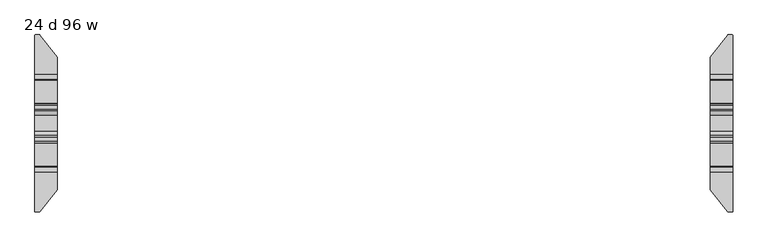
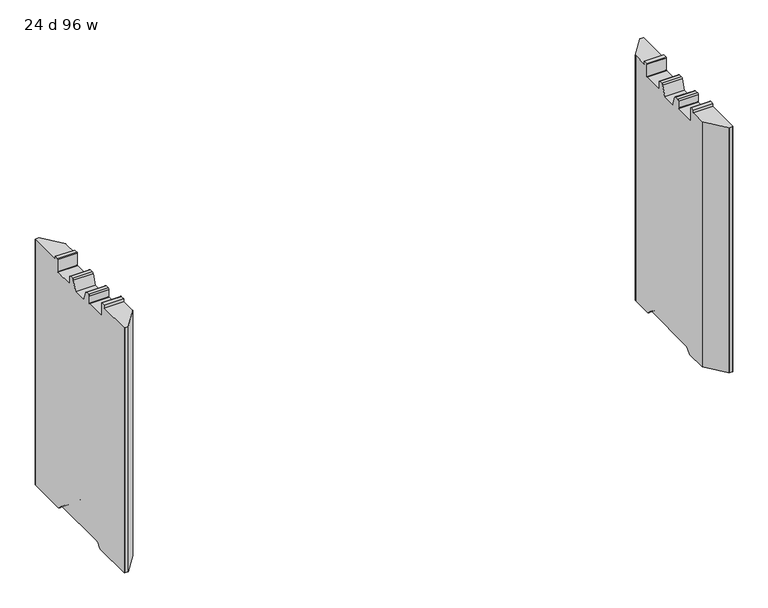
"""IFC4 building model written with IfcOpenShell, lengths in millimetres: furniture geometry, 24 d 96 w."""

from ifc_helpers import new_model, si_unit, frame, origin, place, context, project, spatial, polyline, circle_curve, source, transform, mapped, element, save
from ifc_brep_helpers import plane_surface, cylinder_surface, revolved_surface, advanced_brep


def furniture_24_d_96_w_ee3c463c(model_context):
    return source(origin(), model_context, "Body", "AdvancedBrep", [
        advanced_brep(
        [(-1170.3161014, 301.356006, 12.2237497), (-1168.6757746, 300.5624669, 12.2237497), (-1109.4991168, 225.81303, 12.2237497), (-1108.9789661, 224.3179953, 12.2237497), (-1108.9789661, 142.5587399, 12.2237497), (-1185.1632694, 142.5587399, 12.2237497), (-1185.1632694, 299.7791145, 12.2237497), (-1183.5863779, 301.356006, 12.2237497), (-1108.9789661, -224.3179953, 12.2237497), (-1109.4991168, -225.81303, 12.2237497), (-1168.6757746, -300.5624669, 12.2237497), (-1170.3161014, -301.356006, 12.2237497), (-1183.5863779, -301.356006, 12.2237497), (-1185.1632694, -299.7791145, 12.2237497), (-1185.1632694, -142.5587399, 12.2237497), (-1108.9789661, -142.5587399, 12.2237497), (-1183.5863779, 301.356006, 1021.0901447), (-1170.3161014, 301.356006, 1021.0901447), (-1185.1632694, 299.7791145, 1021.0901447), (-1185.1632694, 137.3594731, 14.3773565), (-1185.1632694, 120.8848361, 30.8519935), (-1185.1632694, 115.650421, 33.0201593), (-1185.1632694, -115.650421, 33.0201593), (-1185.1632694, -120.8848361, 30.8519935), (-1185.1632694, -137.3594731, 14.3773565), (-1185.1632694, -299.7791145, 1021.0901447), (-1185.1632694, -165.7440074, 1021.0901447), (-1185.1632694, -165.7440074, 1032.1001558), (-1185.1632694, -149.8559965, 1032.1001558), (-1185.1632694, -147.8560005, 1030.1001598), (-1185.1632694, -147.8560005, 980.6251456), (-1185.1632694, -145.8560045, 978.6251495), (-1185.1632694, -67.8560008, 978.6251495), (-1185.1632694, -65.8560002, 980.6251501), (-1185.1632694, -65.8560002, 1008.6251352), (-1185.1632694, -60.855942, 1013.6251934), (-1185.1632694, -47.3023259, 1013.6251934), (-1185.1632694, -41.335277, 1009.4470192), (-1185.1632694, -27.2052798, 970.6251291), (-1185.1632694, 27.2052798, 970.6251291), (-1185.1632694, 41.335277, 1009.4470192), (-1185.1632694, 47.3023259, 1013.6251934), (-1185.1632694, 60.855942, 1013.6251934), (-1185.1632694, 65.8560002, 1008.6251352), (-1185.1632694, 65.8560002, 980.6251501), (-1185.1632694, 67.8560008, 978.6251495), (-1185.1632694, 145.8560045, 978.6251495), (-1185.1632694, 147.8560005, 980.6251456), (-1185.1632694, 147.8560005, 1030.1001598), (-1185.1632694, 149.8559965, 1032.1001558), (-1185.1632694, 165.7440074, 1032.1001558), (-1185.1632694, 165.7440074, 1021.0901447), (-1183.5863779, -301.356006, 1021.0901447), (-1170.3161014, -301.356006, 1021.0901447), (-1168.6757746, -300.5624669, 1021.0901447), (-1109.4991168, -225.81303, 1021.0901447), (-1108.9789661, -224.3179953, 1021.0901447), (-1108.9789661, -137.3594731, 14.3773565), (-1108.9789661, -120.8848361, 30.8519935), (-1108.9789661, -115.650421, 33.0201593), (-1108.9789661, 115.650421, 33.0201593), (-1108.9789661, 120.8848361, 30.8519935), (-1108.9789661, 137.3594731, 14.3773565), (-1108.9789661, 224.3179953, 1021.0901447), (-1108.9789661, 165.7440074, 1021.0901447), (-1108.9789661, 165.7440074, 1032.1001558), (-1108.9789661, 149.8559965, 1032.1001558), (-1108.9789661, 147.8560005, 1030.1001598), (-1108.9789661, 147.8560005, 980.6251456), (-1108.9789661, 145.8560045, 978.6251495), (-1108.9789661, 67.8560008, 978.6251495), (-1108.9789661, 65.8560002, 980.6251501), (-1108.9789661, 65.8560002, 1008.6251352), (-1108.9789661, 60.855942, 1013.6251934), (-1108.9789661, 47.3023259, 1013.6251934), (-1108.9789661, 41.335277, 1009.4470192), (-1108.9789661, 27.2052798, 970.6251291), (-1108.9789661, -27.2052798, 970.6251291), (-1108.9789661, -41.335277, 1009.4470192), (-1108.9789661, -47.3023259, 1013.6251934), (-1108.9789661, -60.855942, 1013.6251934), (-1108.9789661, -65.8560002, 1008.6251352), (-1108.9789661, -65.8560002, 980.6251501), (-1108.9789661, -67.8560008, 978.6251495), (-1108.9789661, -145.8560045, 978.6251495), (-1108.9789661, -147.8560005, 980.6251456), (-1108.9789661, -147.8560005, 1030.1001598), (-1108.9789661, -149.8559965, 1032.1001558), (-1108.9789661, -165.7440074, 1032.1001558), (-1108.9789661, -165.7440074, 1021.0901447), (-1109.4991168, 225.81303, 1021.0901447), (-1168.6757746, 300.5624669, 1021.0901447)],
        [
            (0, 1, circle_curve(frame((-1170.3161014, 299.2638745, 12.2237497), z_axis=(0.0, 0.0, -1.0), x_axis=(-1.0, 0.0, 0.0)), 2.0921315)),
            (1, 2),
            (2, 3, circle_curve(frame((-1111.387581, 224.3179953, 12.2237497), z_axis=(0.0, 0.0, -1.0), x_axis=(-1.0, 0.0, 0.0)), 2.4086149)),
            (3, 4),
            (4, 5),
            (5, 6),
            (6, 7, circle_curve(frame((-1183.5863779, 299.7791145, 12.2237497), z_axis=(0.0, 0.0, -1.0), x_axis=(-1.0, 0.0, 0.0)), 1.5768915)),
            (7, 0),
            (8, 9, circle_curve(frame((-1111.387581, -224.3179953, 12.2237497), z_axis=(0.0, 0.0, -1.0), x_axis=(-1.0, 0.0, 0.0)), 2.4086149)),
            (9, 10),
            (10, 11, circle_curve(frame((-1170.3161014, -299.2638745, 12.2237497), z_axis=(0.0, 0.0, -1.0), x_axis=(-1.0, 0.0, 0.0)), 2.0921315)),
            (11, 12),
            (12, 13, circle_curve(frame((-1183.5863779, -299.7791145, 12.2237497), z_axis=(0.0, 0.0, -1.0), x_axis=(-1.0, 0.0, 0.0)), 1.5768915)),
            (13, 14),
            (14, 15),
            (15, 8),
            (7, 16),
            (16, 17),
            (17, 0),
            (6, 18),
            (18, 16, circle_curve(frame((-1183.5863779, 299.7791145, 1021.0901447), z_axis=(0.0, 0.0, -1.0), x_axis=(-1.0, 0.0, 0.0)), 1.5768915)),
            (5, 19, circle_curve(frame((-1185.1632694, 142.5587399, 19.5766232), z_axis=(-1.0, 0.0, 0.0), x_axis=(0.0, -1.0, 0.0)), 7.3528735)),
            (19, 20),
            (20, 21, circle_curve(frame((-1185.1632694, 115.650421, 25.6175784), z_axis=(1.0, 0.0, 0.0), x_axis=(0.0, -1.0, 0.0)), 7.4025809)),
            (21, 22),
            (22, 23, circle_curve(frame((-1185.1632694, -115.650421, 25.6175784), z_axis=(1.0, 0.0, 0.0), x_axis=(0.0, -1.0, 0.0)), 7.4025809)),
            (23, 24),
            (24, 14, circle_curve(frame((-1185.1632694, -142.5587399, 19.5766232), z_axis=(-1.0, 0.0, 0.0), x_axis=(0.0, -1.0, 0.0)), 7.3528735)),
            (13, 25),
            (25, 26),
            (26, 27),
            (27, 28),
            (28, 29, circle_curve(frame((-1185.1632694, -149.8559965, 1030.1001598), z_axis=(-1.0, 0.0, 0.0), x_axis=(0.0, -1.0, 0.0)), 1.999996)),
            (29, 30),
            (30, 31, circle_curve(frame((-1185.1632694, -145.8560045, 980.6251456), z_axis=(1.0, 0.0, 0.0), x_axis=(0.0, -1.0, 0.0)), 1.999996)),
            (31, 32),
            (32, 33, circle_curve(frame((-1185.1632694, -67.8560008, 980.6251501), z_axis=(1.0, 0.0, 0.0), x_axis=(0.0, -1.0, 0.0)), 2.0000006)),
            (33, 34),
            (34, 35, circle_curve(frame((-1185.1632694, -60.855942, 1008.6251352), z_axis=(-1.0, 0.0, 0.0), x_axis=(0.0, -1.0, 0.0)), 5.0000582)),
            (35, 36),
            (36, 37, circle_curve(frame((-1185.1632694, -47.3023259, 1007.2751934), z_axis=(-1.0, 0.0, 0.0), x_axis=(0.0, -1.0, 0.0)), 6.35)),
            (37, 38),
            (38, 39),
            (39, 40),
            (40, 41, circle_curve(frame((-1185.1632694, 47.3023259, 1007.2751934), z_axis=(-1.0, 0.0, 0.0), x_axis=(0.0, -1.0, 0.0)), 6.35)),
            (41, 42),
            (42, 43, circle_curve(frame((-1185.1632694, 60.855942, 1008.6251352), z_axis=(-1.0, 0.0, 0.0), x_axis=(0.0, -1.0, 0.0)), 5.0000582)),
            (43, 44),
            (44, 45, circle_curve(frame((-1185.1632694, 67.8560008, 980.6251501), z_axis=(1.0, 0.0, 0.0), x_axis=(0.0, -1.0, 0.0)), 2.0000006)),
            (45, 46),
            (46, 47, circle_curve(frame((-1185.1632694, 145.8560045, 980.6251456), z_axis=(1.0, 0.0, 0.0), x_axis=(0.0, -1.0, 0.0)), 1.999996)),
            (47, 48),
            (48, 49, circle_curve(frame((-1185.1632694, 149.8559965, 1030.1001598), z_axis=(-1.0, 0.0, 0.0), x_axis=(0.0, -1.0, 0.0)), 1.999996)),
            (49, 50),
            (50, 51),
            (51, 18),
            (12, 52),
            (52, 25, circle_curve(frame((-1183.5863779, -299.7791145, 1021.0901447), z_axis=(0.0, 0.0, -1.0), x_axis=(-1.0, 0.0, 0.0)), 1.5768915)),
            (11, 53),
            (53, 52),
            (10, 54),
            (54, 53, circle_curve(frame((-1170.3161014, -299.2638745, 1021.0901447), z_axis=(0.0, 0.0, -1.0), x_axis=(-1.0, 0.0, 0.0)), 2.0921315)),
            (9, 55),
            (55, 54),
            (8, 56),
            (56, 55, circle_curve(frame((-1111.387581, -224.3179953, 1021.0901447), z_axis=(0.0, 0.0, -1.0), x_axis=(-1.0, 0.0, 0.0)), 2.4086149)),
            (15, 57, circle_curve(frame((-1108.9789661, -142.5587399, 19.5766232), z_axis=(1.0, 0.0, 0.0), x_axis=(0.0, -1.0, 0.0)), 7.3528735)),
            (57, 58),
            (58, 59, circle_curve(frame((-1108.9789661, -115.650421, 25.6175784), z_axis=(-1.0, 0.0, 0.0), x_axis=(0.0, -1.0, 0.0)), 7.4025809)),
            (59, 60),
            (60, 61, circle_curve(frame((-1108.9789661, 115.650421, 25.6175784), z_axis=(-1.0, 0.0, 0.0), x_axis=(0.0, -1.0, 0.0)), 7.4025809)),
            (61, 62),
            (62, 4, circle_curve(frame((-1108.9789661, 142.5587399, 19.5766232), z_axis=(1.0, 0.0, 0.0), x_axis=(0.0, -1.0, 0.0)), 7.3528735)),
            (3, 63),
            (63, 64),
            (64, 65),
            (65, 66),
            (66, 67, circle_curve(frame((-1108.9789661, 149.8559965, 1030.1001598), z_axis=(1.0, 0.0, 0.0), x_axis=(0.0, -1.0, 0.0)), 1.999996)),
            (67, 68),
            (68, 69, circle_curve(frame((-1108.9789661, 145.8560045, 980.6251456), z_axis=(-1.0, 0.0, 0.0), x_axis=(0.0, -1.0, 0.0)), 1.999996)),
            (69, 70),
            (70, 71, circle_curve(frame((-1108.9789661, 67.8560008, 980.6251501), z_axis=(-1.0, 0.0, 0.0), x_axis=(0.0, -1.0, 0.0)), 2.0000006)),
            (71, 72),
            (72, 73, circle_curve(frame((-1108.9789661, 60.855942, 1008.6251352), z_axis=(1.0, 0.0, 0.0), x_axis=(0.0, -1.0, 0.0)), 5.0000582)),
            (73, 74),
            (74, 75, circle_curve(frame((-1108.9789661, 47.3023259, 1007.2751934), z_axis=(1.0, 0.0, 0.0), x_axis=(0.0, -1.0, 0.0)), 6.35)),
            (75, 76),
            (76, 77),
            (77, 78),
            (78, 79, circle_curve(frame((-1108.9789661, -47.3023259, 1007.2751934), z_axis=(1.0, 0.0, 0.0), x_axis=(0.0, -1.0, 0.0)), 6.35)),
            (79, 80),
            (80, 81, circle_curve(frame((-1108.9789661, -60.855942, 1008.6251352), z_axis=(1.0, 0.0, 0.0), x_axis=(0.0, -1.0, 0.0)), 5.0000582)),
            (81, 82),
            (82, 83, circle_curve(frame((-1108.9789661, -67.8560008, 980.6251501), z_axis=(-1.0, 0.0, 0.0), x_axis=(0.0, -1.0, 0.0)), 2.0000006)),
            (83, 84),
            (84, 85, circle_curve(frame((-1108.9789661, -145.8560045, 980.6251456), z_axis=(-1.0, 0.0, 0.0), x_axis=(0.0, -1.0, 0.0)), 1.999996)),
            (85, 86),
            (86, 87, circle_curve(frame((-1108.9789661, -149.8559965, 1030.1001598), z_axis=(1.0, 0.0, 0.0), x_axis=(0.0, -1.0, 0.0)), 1.999996)),
            (87, 88),
            (88, 89),
            (89, 56),
            (2, 90),
            (90, 63, circle_curve(frame((-1111.387581, 224.3179953, 1021.0901447), z_axis=(0.0, 0.0, -1.0), x_axis=(-1.0, 0.0, 0.0)), 2.4086149)),
            (1, 91),
            (91, 90),
            (17, 91, circle_curve(frame((-1170.3161014, 299.2638745, 1021.0901447), z_axis=(0.0, 0.0, -1.0), x_axis=(-1.0, 0.0, 0.0)), 2.0921315)),
            (50, 65),
            (64, 51),
            (89, 26),
            (88, 27),
            (87, 28),
            (86, 29),
            (85, 30),
            (84, 31),
            (83, 32),
            (82, 33),
            (81, 34),
            (80, 35),
            (79, 36),
            (78, 37),
            (77, 38),
            (76, 39),
            (75, 40),
            (74, 41),
            (73, 42),
            (72, 43),
            (71, 44),
            (70, 45),
            (69, 46),
            (68, 47),
            (67, 48),
            (66, 49),
            (19, 62),
            (61, 20),
            (60, 21),
            (59, 22),
            (58, 23),
            (57, 24),
        ],
        [
            plane_surface(frame((-1183.5863779, 301.356006, 12.2237497), z_axis=(0.0, 0.0, -1.0), x_axis=(1.0, 0.0, 0.0))),
            plane_surface(frame((-1170.3161014, 301.356006, 1037.2344355), z_axis=(0.0, 1.0, 0.0), x_axis=(0.0, 0.0, -1.0))),
            cylinder_surface(frame((-1183.5863779, 299.7791145, 12.2237497), z_axis=(0.0, 0.0, 1.0), x_axis=(-1.0, 0.0, 0.0)), 1.5768915),
            plane_surface(frame((-1185.1632694, 299.7791145, 1037.2344355), z_axis=(-1.0, 0.0, 0.0), x_axis=(0.0, 0.0, -1.0))),
            cylinder_surface(frame((-1183.5863779, -299.7791145, 12.2237497), z_axis=(0.0, 0.0, 1.0), x_axis=(-1.0, 0.0, 0.0)), 1.5768915),
            plane_surface(frame((-1183.5863779, -301.356006, 1037.2344355), z_axis=(0.0, -1.0, 0.0), x_axis=(0.0, 0.0, -1.0))),
            cylinder_surface(frame((-1170.3161014, -299.2638745, 12.2237497), z_axis=(0.0, 0.0, 1.0), x_axis=(-1.0, 0.0, 0.0)), 2.0921315),
            plane_surface(frame((-1168.6757746, -300.5624669, 1037.2344355), z_axis=(0.7840457211746517, -0.620703074833467, 0.0), x_axis=(0.0, 0.0, -1.0))),
            cylinder_surface(frame((-1111.387581, -224.3179953, 12.2237497), z_axis=(0.0, 0.0, 1.0), x_axis=(-1.0, 0.0, 0.0)), 2.4086149),
            plane_surface(frame((-1108.9789661, -224.3179953, 1037.2344355), z_axis=(1.0, 0.0, 0.0), x_axis=(0.0, 0.0, -1.0))),
            cylinder_surface(frame((-1111.387581, 224.3179953, 12.2237497), z_axis=(0.0, 0.0, 1.0), x_axis=(-1.0, 0.0, 0.0)), 2.4086149),
            plane_surface(frame((-1109.4991168, 225.81303, 1037.2344355), z_axis=(0.7840457211746269, 0.6207030748334982, 0.0), x_axis=(0.0, 0.0, -1.0))),
            cylinder_surface(frame((-1170.3161014, 299.2638745, 12.2237497), z_axis=(0.0, 0.0, 1.0), x_axis=(-1.0, 0.0, 0.0)), 2.0921315),
            plane_surface(frame((1185.1632694, 165.7440074, 1032.1001558), z_axis=(0.0, 1.0, 0.0), x_axis=(-1.0, 0.0, 0.0))),
            plane_surface(frame((1185.1632694, 165.7440074, 1021.0901447), z_axis=(0.0, 0.0, 1.0), x_axis=(-1.0, 0.0, 0.0))),
            plane_surface(frame((1185.1632694, -302.7440027, 1021.0901447), z_axis=(0.0, 0.0, 1.0), x_axis=(-1.0, 0.0, 0.0))),
            plane_surface(frame((1185.1632694, -165.7440074, 1021.0901447), z_axis=(0.0, -1.0, 0.0), x_axis=(-1.0, 0.0, 0.0))),
            plane_surface(frame((1185.1632694, -165.7440074, 1032.1001558), z_axis=(0.0, 0.0, 1.0), x_axis=(-1.0, 0.0, 0.0))),
            cylinder_surface(frame((1185.1632694, -149.8559965, 1030.1001598), z_axis=(-1.0, 0.0, 0.0), x_axis=(0.0, -1.0, 0.0)), 1.999996),
            plane_surface(frame((1185.1632694, -147.8560005, 1030.1001598), z_axis=(0.0, 1.0, 0.0), x_axis=(-1.0, 0.0, 0.0))),
            revolved_surface(polyline([(-1108.9789661, -147.85600050000002, 980.6251456), (-1185.1632694, -147.85600050000002, 980.6251456)]), (1185.1632694, -145.8560045, 980.6251456), (1.0, 0.0, 0.0)),
            plane_surface(frame((1185.1632694, -145.8560045, 978.6251495), z_axis=(0.0, 0.0, 1.0), x_axis=(-1.0, 0.0, 0.0))),
            revolved_surface(polyline([(-1108.9789661, -69.8560014, 980.6251501), (-1185.1632694, -69.8560014, 980.6251501)]), (1185.1632694, -67.8560008, 980.6251501), (1.0, 0.0, 0.0)),
            plane_surface(frame((1185.1632694, -65.8560002, 980.6251501), z_axis=(0.0, -1.0, 0.0), x_axis=(-1.0, 0.0, 0.0))),
            cylinder_surface(frame((1185.1632694, -60.855942, 1008.6251352), z_axis=(-1.0, 0.0, 0.0), x_axis=(0.0, -1.0, 0.0)), 5.0000582),
            plane_surface(frame((1185.1632694, -60.855942, 1013.6251934), z_axis=(0.0, 0.0, 1.0), x_axis=(-1.0, 0.0, 0.0))),
            cylinder_surface(frame((1185.1632694, -47.3023259, 1007.2751934), z_axis=(-1.0, 0.0, 0.0), x_axis=(0.0, -1.0, 0.0)), 6.35),
            plane_surface(frame((1185.1632694, -41.335277, 1009.4470192), z_axis=(0.0, 0.9396927394269927, 0.3420198173617928), x_axis=(-1.0, 0.0, 0.0))),
            plane_surface(frame((1185.1632694, -27.2052798, 970.6251291), z_axis=(0.0, 0.0, 1.0), x_axis=(-1.0, 0.0, 0.0))),
            plane_surface(frame((1185.1632694, 27.2052798, 970.6251291), z_axis=(0.0, -0.9396927394269927, 0.3420198173617928), x_axis=(-1.0, 0.0, 0.0))),
            cylinder_surface(frame((1185.1632694, 47.3023259, 1007.2751934), z_axis=(-1.0, 0.0, 0.0), x_axis=(0.0, -1.0, 0.0)), 6.35),
            plane_surface(frame((1185.1632694, 47.3023259, 1013.6251934), z_axis=(0.0, 0.0, 1.0), x_axis=(-1.0, 0.0, 0.0))),
            cylinder_surface(frame((1185.1632694, 60.855942, 1008.6251352), z_axis=(-1.0, 0.0, 0.0), x_axis=(0.0, -1.0, 0.0)), 5.0000582),
            plane_surface(frame((1185.1632694, 65.8560002, 1008.6251352), z_axis=(0.0, 1.0, 0.0), x_axis=(-1.0, 0.0, 0.0))),
            revolved_surface(polyline([(-1108.9789661, 65.85600020000001, 980.6251501), (-1185.1632694, 65.85600020000001, 980.6251501)]), (1185.1632694, 67.8560008, 980.6251501), (1.0, 0.0, 0.0)),
            plane_surface(frame((1185.1632694, 67.8560008, 978.6251495), z_axis=(0.0, 0.0, 1.0), x_axis=(-1.0, 0.0, 0.0))),
            revolved_surface(polyline([(-1108.9789661, 143.8560085, 980.6251456), (-1185.1632694, 143.8560085, 980.6251456)]), (1185.1632694, 145.8560045, 980.6251456), (1.0, 0.0, 0.0)),
            plane_surface(frame((1185.1632694, 147.8560005, 980.6251456), z_axis=(0.0, -1.0, 0.0), x_axis=(-1.0, 0.0, 0.0))),
            cylinder_surface(frame((1185.1632694, 149.8559965, 1030.1001598), z_axis=(-1.0, 0.0, 0.0), x_axis=(0.0, -1.0, 0.0)), 1.999996),
            plane_surface(frame((1185.1632694, 149.8559965, 1032.1001558), z_axis=(0.0, 0.0, 1.0), x_axis=(-1.0, 0.0, 0.0))),
            plane_surface(frame((1185.1632694, 137.3594731, 14.3773565), z_axis=(0.0, -0.7071067811865476, -0.7071067811865476), x_axis=(-1.0, 0.0, 0.0))),
            revolved_surface(polyline([(-1108.9789661, 108.24784009999999, 25.6175784), (-1185.1632694, 108.24784009999999, 25.6175784)]), (1185.1632694, 115.650421, 25.6175784), (1.0, 0.0, 0.0)),
            plane_surface(frame((1185.1632694, 115.650421, 33.0201593), z_axis=(0.0, 0.0, -1.0), x_axis=(-1.0, 0.0, 0.0))),
            revolved_surface(polyline([(-1108.9789661, -123.0530019, 25.6175784), (-1185.1632694, -123.0530019, 25.6175784)]), (1185.1632694, -115.650421, 25.6175784), (1.0, 0.0, 0.0)),
            plane_surface(frame((1185.1632694, -120.8848361, 30.8519935), z_axis=(0.0, 0.7071067811865467, -0.7071067811865483), x_axis=(-1.0, 0.0, 0.0))),
            cylinder_surface(frame((1185.1632694, -142.5587399, 19.5766232), z_axis=(-1.0, 0.0, 0.0), x_axis=(0.0, -1.0, 0.0)), 7.3528735),
            cylinder_surface(frame((1185.1632694, 142.5587399, 19.5766232), z_axis=(-1.0, 0.0, 0.0), x_axis=(0.0, -1.0, 0.0)), 7.3528735),
        ],
        [
            (0, [[1, 2, 3, 4, 5, 6, 7, 8]]),
            (0, [[9, 10, 11, 12, 13, 14, 15, 16]]),
            (1, [[-8, 17, 18, 19]]),
            (2, [[-7, 20, 21, -17]]),
            (3, [[-20, -6, 22, 23, 24, 25, 26, 27, 28, -14, 29, 30, 31, 32, 33, 34, 35, 36, 37, 38, 39, 40, 41, 42, 43, 44, 45, 46, 47, 48, 49, 50, 51, 52, 53, 54, 55, 56]]),
            (4, [[-13, 57, 58, -29]]),
            (5, [[-12, 59, 60, -57]]),
            (6, [[-11, 61, 62, -59]]),
            (7, [[-10, 63, 64, -61]]),
            (8, [[-9, 65, 66, -63]]),
            (9, [[-65, -16, 67, 68, 69, 70, 71, 72, 73, -4, 74, 75, 76, 77, 78, 79, 80, 81, 82, 83, 84, 85, 86, 87, 88, 89, 90, 91, 92, 93, 94, 95, 96, 97, 98, 99, 100, 101]]),
            (10, [[-3, 102, 103, -74]]),
            (11, [[-2, 104, 105, -102]]),
            (12, [[-1, -19, 106, -104]]),
            (13, [[107, -76, 108, -55]]),
            (14, [[-108, -75, -103, -105, -106, -18, -21, -56]]),
            (15, [[109, -30, -58, -60, -62, -64, -66, -101]]),
            (16, [[-109, -100, 110, -31]]),
            (17, [[-110, -99, 111, -32]]),
            (18, [[-111, -98, 112, -33]]),
            (19, [[-112, -97, 113, -34]]),
            (20, [[-113, -96, 114, -35]]),
            (21, [[-114, -95, 115, -36]]),
            (22, [[-115, -94, 116, -37]]),
            (23, [[-116, -93, 117, -38]]),
            (24, [[-117, -92, 118, -39]]),
            (25, [[-118, -91, 119, -40]]),
            (26, [[-119, -90, 120, -41]]),
            (27, [[-120, -89, 121, -42]]),
            (28, [[-121, -88, 122, -43]]),
            (29, [[-122, -87, 123, -44]]),
            (30, [[-123, -86, 124, -45]]),
            (31, [[-124, -85, 125, -46]]),
            (32, [[-125, -84, 126, -47]]),
            (33, [[-126, -83, 127, -48]]),
            (34, [[-127, -82, 128, -49]]),
            (35, [[-128, -81, 129, -50]]),
            (36, [[-129, -80, 130, -51]]),
            (37, [[-130, -79, 131, -52]]),
            (38, [[-131, -78, 132, -53]]),
            (39, [[-107, -54, -132, -77]]),
            (40, [[133, -72, 134, -23]]),
            (41, [[-134, -71, 135, -24]]),
            (42, [[-135, -70, 136, -25]]),
            (43, [[-136, -69, 137, -26]]),
            (44, [[-137, -68, 138, -27]]),
            (45, [[-138, -67, -15, -28]]),
            (46, [[-133, -22, -5, -73]]),
        ],
    ),
        advanced_brep(
        [(1170.3161014, 301.356006, 12.2237497), (1183.5863779, 301.356006, 12.2237497), (1185.1632694, 299.7791145, 12.2237497), (1185.1632694, 142.5587399, 12.2237497), (1108.9789661, 142.5587399, 12.2237497), (1108.9789661, 224.3179953, 12.2237497), (1109.4991168, 225.81303, 12.2237497), (1168.6757746, 300.5624669, 12.2237497), (1185.1632694, -299.7791145, 12.2237497), (1183.5863779, -301.356006, 12.2237497), (1170.3161014, -301.356006, 12.2237497), (1168.6757746, -300.5624669, 12.2237497), (1109.4991168, -225.81303, 12.2237497), (1108.9789661, -224.3179953, 12.2237497), (1108.9789661, -142.5587399, 12.2237497), (1185.1632694, -142.5587399, 12.2237497), (1168.6757746, 300.5624669, 1021.0901447), (1170.3161014, 301.356006, 1021.0901447), (1109.4991168, 225.81303, 1021.0901447), (1108.9789661, 224.3179953, 1021.0901447), (1108.9789661, 137.3594731, 14.3773565), (1108.9789661, 120.8848361, 30.8519935), (1108.9789661, 115.650421, 33.0201593), (1108.9789661, -115.650421, 33.0201593), (1108.9789661, -120.8848361, 30.8519935), (1108.9789661, -137.3594731, 14.3773565), (1108.9789661, -224.3179953, 1021.0901447), (1108.9789661, -165.7440074, 1021.0901447), (1108.9789661, -165.7440074, 1032.1001558), (1108.9789661, -149.8559965, 1032.1001558), (1108.9789661, -147.8560005, 1030.1001598), (1108.9789661, -147.8560005, 980.6251456), (1108.9789661, -145.8560045, 978.6251495), (1108.9789661, -67.8560008, 978.6251495), (1108.9789661, -65.8560002, 980.6251501), (1108.9789661, -65.8560002, 1008.6251352), (1108.9789661, -60.855942, 1013.6251934), (1108.9789661, -47.3023259, 1013.6251934), (1108.9789661, -41.335277, 1009.4470192), (1108.9789661, -27.2052798, 970.6251291), (1108.9789661, 27.2052798, 970.6251291), (1108.9789661, 41.335277, 1009.4470192), (1108.9789661, 47.3023259, 1013.6251934), (1108.9789661, 60.855942, 1013.6251934), (1108.9789661, 65.8560002, 1008.6251352), (1108.9789661, 65.8560002, 980.6251501), (1108.9789661, 67.8560008, 978.6251495), (1108.9789661, 145.8560045, 978.6251495), (1108.9789661, 147.8560005, 980.6251456), (1108.9789661, 147.8560005, 1030.1001598), (1108.9789661, 149.8559965, 1032.1001558), (1108.9789661, 165.7440074, 1032.1001558), (1108.9789661, 165.7440074, 1021.0901447), (1109.4991168, -225.81303, 1021.0901447), (1168.6757746, -300.5624669, 1021.0901447), (1170.3161014, -301.356006, 1021.0901447), (1183.5863779, -301.356006, 1021.0901447), (1185.1632694, -299.7791145, 1021.0901447), (1185.1632694, -137.3594731, 14.3773565), (1185.1632694, -120.8848361, 30.8519935), (1185.1632694, -115.650421, 33.0201593), (1185.1632694, 115.650421, 33.0201593), (1185.1632694, 120.8848361, 30.8519935), (1185.1632694, 137.3594731, 14.3773565), (1185.1632694, 299.7791145, 1021.0901447), (1185.1632694, 165.7440074, 1021.0901447), (1185.1632694, 165.7440074, 1032.1001558), (1185.1632694, 149.8559965, 1032.1001558), (1185.1632694, 147.8560005, 1030.1001598), (1185.1632694, 147.8560005, 980.6251456), (1185.1632694, 145.8560045, 978.6251495), (1185.1632694, 67.8560008, 978.6251495), (1185.1632694, 65.8560002, 980.6251501), (1185.1632694, 65.8560002, 1008.6251352), (1185.1632694, 60.855942, 1013.6251934), (1185.1632694, 47.3023259, 1013.6251934), (1185.1632694, 41.335277, 1009.4470192), (1185.1632694, 27.2052798, 970.6251291), (1185.1632694, -27.2052798, 970.6251291), (1185.1632694, -41.335277, 1009.4470192), (1185.1632694, -47.3023259, 1013.6251934), (1185.1632694, -60.855942, 1013.6251934), (1185.1632694, -65.8560002, 1008.6251352), (1185.1632694, -65.8560002, 980.6251501), (1185.1632694, -67.8560008, 978.6251495), (1185.1632694, -145.8560045, 978.6251495), (1185.1632694, -147.8560005, 980.6251456), (1185.1632694, -147.8560005, 1030.1001598), (1185.1632694, -149.8559965, 1032.1001558), (1185.1632694, -165.7440074, 1032.1001558), (1185.1632694, -165.7440074, 1021.0901447), (1183.5863779, 301.356006, 1021.0901447)],
        [
            (0, 1),
            (1, 2, circle_curve(frame((1183.5863779, 299.7791145, 12.2237497), z_axis=(0.0, 0.0, -1.0), x_axis=(-1.0, 0.0, 0.0)), 1.5768915)),
            (2, 3),
            (3, 4),
            (4, 5),
            (5, 6, circle_curve(frame((1111.387581, 224.3179953, 12.2237497), z_axis=(0.0, 0.0, -1.0), x_axis=(-1.0, 0.0, 0.0)), 2.4086149)),
            (6, 7),
            (7, 0, circle_curve(frame((1170.3161014, 299.2638745, 12.2237497), z_axis=(0.0, 0.0, -1.0), x_axis=(-1.0, 0.0, 0.0)), 2.0921315)),
            (8, 9, circle_curve(frame((1183.5863779, -299.7791145, 12.2237497), z_axis=(0.0, 0.0, -1.0), x_axis=(-1.0, 0.0, 0.0)), 1.5768915)),
            (9, 10),
            (10, 11, circle_curve(frame((1170.3161014, -299.2638745, 12.2237497), z_axis=(0.0, 0.0, -1.0), x_axis=(-1.0, 0.0, 0.0)), 2.0921315)),
            (11, 12),
            (12, 13, circle_curve(frame((1111.387581, -224.3179953, 12.2237497), z_axis=(0.0, 0.0, -1.0), x_axis=(-1.0, 0.0, 0.0)), 2.4086149)),
            (13, 14),
            (14, 15),
            (15, 8),
            (7, 16),
            (16, 17, circle_curve(frame((1170.3161014, 299.2638745, 1021.0901447), z_axis=(0.0, 0.0, -1.0), x_axis=(-1.0, 0.0, 0.0)), 2.0921315)),
            (17, 0),
            (6, 18),
            (18, 16),
            (5, 19),
            (19, 18, circle_curve(frame((1111.387581, 224.3179953, 1021.0901447), z_axis=(0.0, 0.0, -1.0), x_axis=(-1.0, 0.0, 0.0)), 2.4086149)),
            (4, 20, circle_curve(frame((1108.9789661, 142.5587399, 19.5766232), z_axis=(-1.0, 0.0, 0.0), x_axis=(0.0, -1.0, 0.0)), 7.3528735)),
            (20, 21),
            (21, 22, circle_curve(frame((1108.9789661, 115.650421, 25.6175784), z_axis=(1.0, 0.0, 0.0), x_axis=(0.0, -1.0, 0.0)), 7.4025809)),
            (22, 23),
            (23, 24, circle_curve(frame((1108.9789661, -115.650421, 25.6175784), z_axis=(1.0, 0.0, 0.0), x_axis=(0.0, -1.0, 0.0)), 7.4025809)),
            (24, 25),
            (25, 14, circle_curve(frame((1108.9789661, -142.5587399, 19.5766232), z_axis=(-1.0, 0.0, 0.0), x_axis=(0.0, -1.0, 0.0)), 7.3528735)),
            (13, 26),
            (26, 27),
            (27, 28),
            (28, 29),
            (29, 30, circle_curve(frame((1108.9789661, -149.8559965, 1030.1001598), z_axis=(-1.0, 0.0, 0.0), x_axis=(0.0, -1.0, 0.0)), 1.999996)),
            (30, 31),
            (31, 32, circle_curve(frame((1108.9789661, -145.8560045, 980.6251456), z_axis=(1.0, 0.0, 0.0), x_axis=(0.0, -1.0, 0.0)), 1.999996)),
            (32, 33),
            (33, 34, circle_curve(frame((1108.9789661, -67.8560008, 980.6251501), z_axis=(1.0, 0.0, 0.0), x_axis=(0.0, -1.0, 0.0)), 2.0000006)),
            (34, 35),
            (35, 36, circle_curve(frame((1108.9789661, -60.855942, 1008.6251352), z_axis=(-1.0, 0.0, 0.0), x_axis=(0.0, -1.0, 0.0)), 5.0000582)),
            (36, 37),
            (37, 38, circle_curve(frame((1108.9789661, -47.3023259, 1007.2751934), z_axis=(-1.0, 0.0, 0.0), x_axis=(0.0, -1.0, 0.0)), 6.35)),
            (38, 39),
            (39, 40),
            (40, 41),
            (41, 42, circle_curve(frame((1108.9789661, 47.3023259, 1007.2751934), z_axis=(-1.0, 0.0, 0.0), x_axis=(0.0, -1.0, 0.0)), 6.35)),
            (42, 43),
            (43, 44, circle_curve(frame((1108.9789661, 60.855942, 1008.6251352), z_axis=(-1.0, 0.0, 0.0), x_axis=(0.0, -1.0, 0.0)), 5.0000582)),
            (44, 45),
            (45, 46, circle_curve(frame((1108.9789661, 67.8560008, 980.6251501), z_axis=(1.0, 0.0, 0.0), x_axis=(0.0, -1.0, 0.0)), 2.0000006)),
            (46, 47),
            (47, 48, circle_curve(frame((1108.9789661, 145.8560045, 980.6251456), z_axis=(1.0, 0.0, 0.0), x_axis=(0.0, -1.0, 0.0)), 1.999996)),
            (48, 49),
            (49, 50, circle_curve(frame((1108.9789661, 149.8559965, 1030.1001598), z_axis=(-1.0, 0.0, 0.0), x_axis=(0.0, -1.0, 0.0)), 1.999996)),
            (50, 51),
            (51, 52),
            (52, 19),
            (12, 53),
            (53, 26, circle_curve(frame((1111.387581, -224.3179953, 1021.0901447), z_axis=(0.0, 0.0, -1.0), x_axis=(-1.0, 0.0, 0.0)), 2.4086149)),
            (11, 54),
            (54, 53),
            (10, 55),
            (55, 54, circle_curve(frame((1170.3161014, -299.2638745, 1021.0901447), z_axis=(0.0, 0.0, -1.0), x_axis=(-1.0, 0.0, 0.0)), 2.0921315)),
            (9, 56),
            (56, 55),
            (8, 57),
            (57, 56, circle_curve(frame((1183.5863779, -299.7791145, 1021.0901447), z_axis=(0.0, 0.0, -1.0), x_axis=(-1.0, 0.0, 0.0)), 1.5768915)),
            (15, 58, circle_curve(frame((1185.1632694, -142.5587399, 19.5766232), z_axis=(1.0, 0.0, 0.0), x_axis=(0.0, -1.0, 0.0)), 7.3528735)),
            (58, 59),
            (59, 60, circle_curve(frame((1185.1632694, -115.650421, 25.6175784), z_axis=(-1.0, 0.0, 0.0), x_axis=(0.0, -1.0, 0.0)), 7.4025809)),
            (60, 61),
            (61, 62, circle_curve(frame((1185.1632694, 115.650421, 25.6175784), z_axis=(-1.0, 0.0, 0.0), x_axis=(0.0, -1.0, 0.0)), 7.4025809)),
            (62, 63),
            (63, 3, circle_curve(frame((1185.1632694, 142.5587399, 19.5766232), z_axis=(1.0, 0.0, 0.0), x_axis=(0.0, -1.0, 0.0)), 7.3528735)),
            (2, 64),
            (64, 65),
            (65, 66),
            (66, 67),
            (67, 68, circle_curve(frame((1185.1632694, 149.8559965, 1030.1001598), z_axis=(1.0, 0.0, 0.0), x_axis=(0.0, -1.0, 0.0)), 1.999996)),
            (68, 69),
            (69, 70, circle_curve(frame((1185.1632694, 145.8560045, 980.6251456), z_axis=(-1.0, 0.0, 0.0), x_axis=(0.0, -1.0, 0.0)), 1.999996)),
            (70, 71),
            (71, 72, circle_curve(frame((1185.1632694, 67.8560008, 980.6251501), z_axis=(-1.0, 0.0, 0.0), x_axis=(0.0, -1.0, 0.0)), 2.0000006)),
            (72, 73),
            (73, 74, circle_curve(frame((1185.1632694, 60.855942, 1008.6251352), z_axis=(1.0, 0.0, 0.0), x_axis=(0.0, -1.0, 0.0)), 5.0000582)),
            (74, 75),
            (75, 76, circle_curve(frame((1185.1632694, 47.3023259, 1007.2751934), z_axis=(1.0, 0.0, 0.0), x_axis=(0.0, -1.0, 0.0)), 6.35)),
            (76, 77),
            (77, 78),
            (78, 79),
            (79, 80, circle_curve(frame((1185.1632694, -47.3023259, 1007.2751934), z_axis=(1.0, 0.0, 0.0), x_axis=(0.0, -1.0, 0.0)), 6.35)),
            (80, 81),
            (81, 82, circle_curve(frame((1185.1632694, -60.855942, 1008.6251352), z_axis=(1.0, 0.0, 0.0), x_axis=(0.0, -1.0, 0.0)), 5.0000582)),
            (82, 83),
            (83, 84, circle_curve(frame((1185.1632694, -67.8560008, 980.6251501), z_axis=(-1.0, 0.0, 0.0), x_axis=(0.0, -1.0, 0.0)), 2.0000006)),
            (84, 85),
            (85, 86, circle_curve(frame((1185.1632694, -145.8560045, 980.6251456), z_axis=(-1.0, 0.0, 0.0), x_axis=(0.0, -1.0, 0.0)), 1.999996)),
            (86, 87),
            (87, 88, circle_curve(frame((1185.1632694, -149.8559965, 1030.1001598), z_axis=(1.0, 0.0, 0.0), x_axis=(0.0, -1.0, 0.0)), 1.999996)),
            (88, 89),
            (89, 90),
            (90, 57),
            (1, 91),
            (91, 64, circle_curve(frame((1183.5863779, 299.7791145, 1021.0901447), z_axis=(0.0, 0.0, -1.0), x_axis=(-1.0, 0.0, 0.0)), 1.5768915)),
            (17, 91),
            (51, 66),
            (65, 52),
            (90, 27),
            (89, 28),
            (88, 29),
            (87, 30),
            (86, 31),
            (85, 32),
            (84, 33),
            (83, 34),
            (82, 35),
            (81, 36),
            (80, 37),
            (79, 38),
            (78, 39),
            (77, 40),
            (76, 41),
            (75, 42),
            (74, 43),
            (73, 44),
            (72, 45),
            (71, 46),
            (70, 47),
            (69, 48),
            (68, 49),
            (67, 50),
            (20, 63),
            (62, 21),
            (61, 22),
            (60, 23),
            (59, 24),
            (58, 25),
        ],
        [
            plane_surface(frame((-1183.5863779, 301.356006, 12.2237497), z_axis=(0.0, 0.0, -1.0), x_axis=(1.0, 0.0, 0.0))),
            cylinder_surface(frame((1170.3161014, 299.2638745, 12.2237497), z_axis=(0.0, 0.0, 1.0), x_axis=(-1.0, 0.0, 0.0)), 2.0921315),
            plane_surface(frame((1168.6757746, 300.5624669, 1037.2344355), z_axis=(-0.7840457211746589, 0.620703074833458, 0.0), x_axis=(0.0, 0.0, -1.0))),
            cylinder_surface(frame((1111.387581, 224.3179953, 12.2237497), z_axis=(0.0, 0.0, 1.0), x_axis=(-1.0, 0.0, 0.0)), 2.4086149),
            plane_surface(frame((1108.9789661, 224.3179953, 1037.2344355), z_axis=(-1.0, 0.0, 0.0), x_axis=(0.0, 0.0, -1.0))),
            cylinder_surface(frame((1111.387581, -224.3179953, 12.2237497), z_axis=(0.0, 0.0, 1.0), x_axis=(-1.0, 0.0, 0.0)), 2.4086149),
            plane_surface(frame((1109.4991168, -225.81303, 1037.2344355), z_axis=(-0.7840457211745934, -0.6207030748335405, 0.0), x_axis=(0.0, 0.0, -1.0))),
            cylinder_surface(frame((1170.3161014, -299.2638745, 12.2237497), z_axis=(0.0, 0.0, 1.0), x_axis=(-1.0, 0.0, 0.0)), 2.0921315),
            plane_surface(frame((1170.3161014, -301.356006, 1037.2344355), z_axis=(0.0, -1.0, 0.0), x_axis=(0.0, 0.0, -1.0))),
            cylinder_surface(frame((1183.5863779, -299.7791145, 12.2237497), z_axis=(0.0, 0.0, 1.0), x_axis=(-1.0, 0.0, 0.0)), 1.5768915),
            plane_surface(frame((1185.1632694, -299.7791145, 1037.2344355), z_axis=(1.0, 0.0, 0.0), x_axis=(0.0, 0.0, -1.0))),
            cylinder_surface(frame((1183.5863779, 299.7791145, 12.2237497), z_axis=(0.0, 0.0, 1.0), x_axis=(-1.0, 0.0, 0.0)), 1.5768915),
            plane_surface(frame((1183.5863779, 301.356006, 1037.2344355), z_axis=(0.0, 1.0, 0.0), x_axis=(0.0, 0.0, -1.0))),
            plane_surface(frame((1185.1632694, 165.7440074, 1032.1001558), z_axis=(0.0, 1.0, 0.0), x_axis=(-1.0, 0.0, 0.0))),
            plane_surface(frame((1185.1632694, 165.7440074, 1021.0901447), z_axis=(0.0, 0.0, 1.0), x_axis=(-1.0, 0.0, 0.0))),
            plane_surface(frame((1185.1632694, -302.7440027, 1021.0901447), z_axis=(0.0, 0.0, 1.0), x_axis=(-1.0, 0.0, 0.0))),
            plane_surface(frame((1185.1632694, -165.7440074, 1021.0901447), z_axis=(0.0, -1.0, 0.0), x_axis=(-1.0, 0.0, 0.0))),
            plane_surface(frame((1185.1632694, -165.7440074, 1032.1001558), z_axis=(0.0, 0.0, 1.0), x_axis=(-1.0, 0.0, 0.0))),
            cylinder_surface(frame((1185.1632694, -149.8559965, 1030.1001598), z_axis=(-1.0, 0.0, 0.0), x_axis=(0.0, -1.0, 0.0)), 1.999996),
            plane_surface(frame((1185.1632694, -147.8560005, 1030.1001598), z_axis=(0.0, 1.0, 0.0), x_axis=(-1.0, 0.0, 0.0))),
            revolved_surface(polyline([(1185.1632694, -147.85600050000002, 980.6251456), (1108.9789661, -147.85600050000002, 980.6251456)]), (1185.1632694, -145.8560045, 980.6251456), (1.0, 0.0, 0.0)),
            plane_surface(frame((1185.1632694, -145.8560045, 978.6251495), z_axis=(0.0, 0.0, 1.0), x_axis=(-1.0, 0.0, 0.0))),
            revolved_surface(polyline([(1185.1632694, -69.8560014, 980.6251501), (1108.9789661, -69.8560014, 980.6251501)]), (1185.1632694, -67.8560008, 980.6251501), (1.0, 0.0, 0.0)),
            plane_surface(frame((1185.1632694, -65.8560002, 980.6251501), z_axis=(0.0, -1.0, 0.0), x_axis=(-1.0, 0.0, 0.0))),
            cylinder_surface(frame((1185.1632694, -60.855942, 1008.6251352), z_axis=(-1.0, 0.0, 0.0), x_axis=(0.0, -1.0, 0.0)), 5.0000582),
            plane_surface(frame((1185.1632694, -60.855942, 1013.6251934), z_axis=(0.0, 0.0, 1.0), x_axis=(-1.0, 0.0, 0.0))),
            cylinder_surface(frame((1185.1632694, -47.3023259, 1007.2751934), z_axis=(-1.0, 0.0, 0.0), x_axis=(0.0, -1.0, 0.0)), 6.35),
            plane_surface(frame((1185.1632694, -41.335277, 1009.4470192), z_axis=(0.0, 0.9396927394269927, 0.3420198173617928), x_axis=(-1.0, 0.0, 0.0))),
            plane_surface(frame((1185.1632694, -27.2052798, 970.6251291), z_axis=(0.0, 0.0, 1.0), x_axis=(-1.0, 0.0, 0.0))),
            plane_surface(frame((1185.1632694, 27.2052798, 970.6251291), z_axis=(0.0, -0.9396927394269927, 0.3420198173617928), x_axis=(-1.0, 0.0, 0.0))),
            cylinder_surface(frame((1185.1632694, 47.3023259, 1007.2751934), z_axis=(-1.0, 0.0, 0.0), x_axis=(0.0, -1.0, 0.0)), 6.35),
            plane_surface(frame((1185.1632694, 47.3023259, 1013.6251934), z_axis=(0.0, 0.0, 1.0), x_axis=(-1.0, 0.0, 0.0))),
            cylinder_surface(frame((1185.1632694, 60.855942, 1008.6251352), z_axis=(-1.0, 0.0, 0.0), x_axis=(0.0, -1.0, 0.0)), 5.0000582),
            plane_surface(frame((1185.1632694, 65.8560002, 1008.6251352), z_axis=(0.0, 1.0, 0.0), x_axis=(-1.0, 0.0, 0.0))),
            revolved_surface(polyline([(1185.1632694, 65.85600020000001, 980.6251501), (1108.9789661, 65.85600020000001, 980.6251501)]), (1185.1632694, 67.8560008, 980.6251501), (1.0, 0.0, 0.0)),
            plane_surface(frame((1185.1632694, 67.8560008, 978.6251495), z_axis=(0.0, 0.0, 1.0), x_axis=(-1.0, 0.0, 0.0))),
            revolved_surface(polyline([(1185.1632694, 143.8560085, 980.6251456), (1108.9789661, 143.8560085, 980.6251456)]), (1185.1632694, 145.8560045, 980.6251456), (1.0, 0.0, 0.0)),
            plane_surface(frame((1185.1632694, 147.8560005, 980.6251456), z_axis=(0.0, -1.0, 0.0), x_axis=(-1.0, 0.0, 0.0))),
            cylinder_surface(frame((1185.1632694, 149.8559965, 1030.1001598), z_axis=(-1.0, 0.0, 0.0), x_axis=(0.0, -1.0, 0.0)), 1.999996),
            plane_surface(frame((1185.1632694, 149.8559965, 1032.1001558), z_axis=(0.0, 0.0, 1.0), x_axis=(-1.0, 0.0, 0.0))),
            plane_surface(frame((1185.1632694, 137.3594731, 14.3773565), z_axis=(0.0, -0.7071067811865476, -0.7071067811865476), x_axis=(-1.0, 0.0, 0.0))),
            revolved_surface(polyline([(1185.1632694, 108.24784009999999, 25.6175784), (1108.9789661, 108.24784009999999, 25.6175784)]), (1185.1632694, 115.650421, 25.6175784), (1.0, 0.0, 0.0)),
            plane_surface(frame((1185.1632694, 115.650421, 33.0201593), z_axis=(0.0, 0.0, -1.0), x_axis=(-1.0, 0.0, 0.0))),
            revolved_surface(polyline([(1185.1632694, -123.0530019, 25.6175784), (1108.9789661, -123.0530019, 25.6175784)]), (1185.1632694, -115.650421, 25.6175784), (1.0, 0.0, 0.0)),
            plane_surface(frame((1185.1632694, -120.8848361, 30.8519935), z_axis=(0.0, 0.7071067811865467, -0.7071067811865483), x_axis=(-1.0, 0.0, 0.0))),
            cylinder_surface(frame((1185.1632694, -142.5587399, 19.5766232), z_axis=(-1.0, 0.0, 0.0), x_axis=(0.0, -1.0, 0.0)), 7.3528735),
            cylinder_surface(frame((1185.1632694, 142.5587399, 19.5766232), z_axis=(-1.0, 0.0, 0.0), x_axis=(0.0, -1.0, 0.0)), 7.3528735),
        ],
        [
            (0, [[1, 2, 3, 4, 5, 6, 7, 8]]),
            (0, [[9, 10, 11, 12, 13, 14, 15, 16]]),
            (1, [[-8, 17, 18, 19]]),
            (2, [[-7, 20, 21, -17]]),
            (3, [[-6, 22, 23, -20]]),
            (4, [[-22, -5, 24, 25, 26, 27, 28, 29, 30, -14, 31, 32, 33, 34, 35, 36, 37, 38, 39, 40, 41, 42, 43, 44, 45, 46, 47, 48, 49, 50, 51, 52, 53, 54, 55, 56, 57, 58]]),
            (5, [[-13, 59, 60, -31]]),
            (6, [[-12, 61, 62, -59]]),
            (7, [[-11, 63, 64, -61]]),
            (8, [[-10, 65, 66, -63]]),
            (9, [[-9, 67, 68, -65]]),
            (10, [[-67, -16, 69, 70, 71, 72, 73, 74, 75, -3, 76, 77, 78, 79, 80, 81, 82, 83, 84, 85, 86, 87, 88, 89, 90, 91, 92, 93, 94, 95, 96, 97, 98, 99, 100, 101, 102, 103]]),
            (11, [[-2, 104, 105, -76]]),
            (12, [[-1, -19, 106, -104]]),
            (13, [[107, -78, 108, -57]]),
            (14, [[-108, -77, -105, -106, -18, -21, -23, -58]]),
            (15, [[109, -32, -60, -62, -64, -66, -68, -103]]),
            (16, [[-109, -102, 110, -33]]),
            (17, [[-110, -101, 111, -34]]),
            (18, [[-111, -100, 112, -35]]),
            (19, [[-112, -99, 113, -36]]),
            (20, [[-113, -98, 114, -37]]),
            (21, [[-114, -97, 115, -38]]),
            (22, [[-115, -96, 116, -39]]),
            (23, [[-116, -95, 117, -40]]),
            (24, [[-117, -94, 118, -41]]),
            (25, [[-118, -93, 119, -42]]),
            (26, [[-119, -92, 120, -43]]),
            (27, [[-120, -91, 121, -44]]),
            (28, [[-121, -90, 122, -45]]),
            (29, [[-122, -89, 123, -46]]),
            (30, [[-123, -88, 124, -47]]),
            (31, [[-124, -87, 125, -48]]),
            (32, [[-125, -86, 126, -49]]),
            (33, [[-126, -85, 127, -50]]),
            (34, [[-127, -84, 128, -51]]),
            (35, [[-128, -83, 129, -52]]),
            (36, [[-129, -82, 130, -53]]),
            (37, [[-130, -81, 131, -54]]),
            (38, [[-131, -80, 132, -55]]),
            (39, [[-107, -56, -132, -79]]),
            (40, [[133, -74, 134, -25]]),
            (41, [[-134, -73, 135, -26]]),
            (42, [[-135, -72, 136, -27]]),
            (43, [[-136, -71, 137, -28]]),
            (44, [[-137, -70, 138, -29]]),
            (45, [[-138, -69, -15, -30]]),
            (46, [[-133, -24, -4, -75]]),
        ],
    ),
    ])


if __name__ == "__main__":
    model = new_model("IFC4")
    model_context = context("Model", 3, world=origin())
    ifc_project = project(units=[si_unit("LENGTHUNIT", "METRE", prefix="MILLI")], contexts=[model_context])
    site = spatial("IfcSite", under=ifc_project)
    building = spatial("IfcBuilding", under=site)
    placement = place(None, origin())
    furniture_24_d_96_w_shape = furniture_24_d_96_w_ee3c463c(model_context)
    element("IfcFurniture", 1, ObjectType="24 d 96 w", at=placement, inside=building, context=model_context, shape_type="MappedRepresentation", body=[
        mapped(furniture_24_d_96_w_shape, transform((0.0, 0.0, 0.0), x_axis=(1.0, 0.0, 0.0), y_axis=(0.0, 1.0, 0.0), z_axis=(0.0, 0.0, 1.0))),
    ])
    save(model, "model.ifc")
